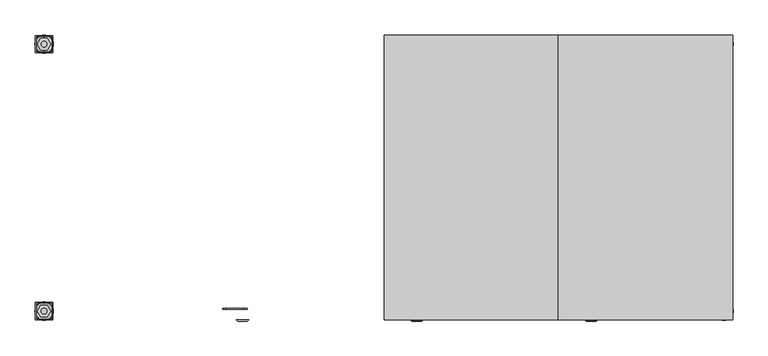
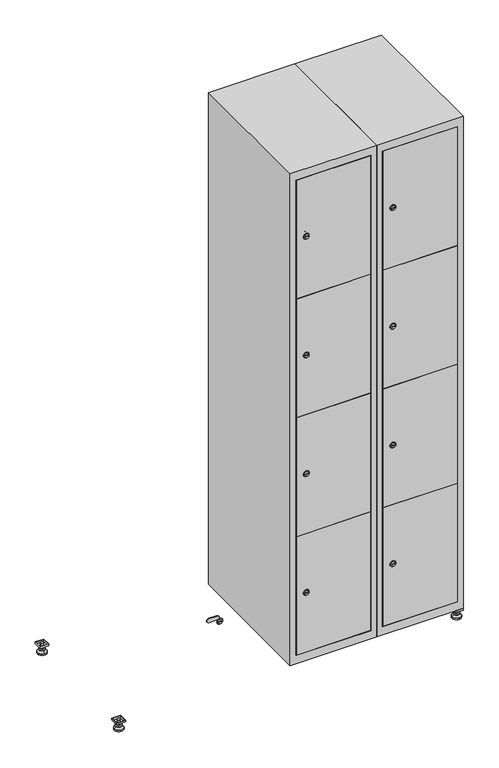
"""IFC4 building model written with IfcOpenShell, lengths in millimetres: furniture geometry."""

from ifc_helpers import new_model, si_unit, point, frame, frame_2d, origin, origin_with_axes, place, context, project, spatial, polyline, circle_curve, trimmed, segment, composite_curve, outline, extrude, faceted_brep, source, transform, mapped, element, save
from ifc_brep_helpers import plane_surface, revolved_surface, advanced_brep


def furniture_7fc36df8(model_context):
    return source(origin(), model_context, "Body", "SolidModel", [
        extrude(outline(polyline([(1000.0, 245.0), (1000.0, 215.0), (970.0, 215.0), (970.0, 245.0), (1000.0, 245.0)]), holes=[polyline([(998.0, 243.0), (972.0, 243.0), (972.0, 217.0), (998.0, 217.0), (998.0, 243.0)])]), frame((0.0, 0.0, 28.5), z_axis=(0.0, 0.0, 1.0), x_axis=(1.0, 0.0, 0.0)), (0.0, 0.0, 1.0), 6.5),
        extrude(outline(polyline([(970.0, -245.0), (970.0, -215.0), (1000.0, -215.0), (1000.0, -245.0), (970.0, -245.0)]), holes=[polyline([(972.0, -243.0), (998.0, -243.0), (998.0, -217.0), (972.0, -217.0), (972.0, -243.0)])]), frame((0.0, 0.0, 28.5), z_axis=(0.0, 0.0, 1.0), x_axis=(1.0, 0.0, 0.0)), (0.0, 0.0, 1.0), 6.5),
        extrude(outline(polyline([(-170.0, 245.0), (-170.0, 215.0), (-200.0, 215.0), (-200.0, 245.0), (-170.0, 245.0)]), holes=[polyline([(-172.0, 243.0), (-198.0, 243.0), (-198.0, 217.0), (-172.0, 217.0), (-172.0, 243.0)])]), frame((0.0, 0.0, 28.5), z_axis=(0.0, 0.0, 1.0), x_axis=(1.0, 0.0, 0.0)), (0.0, 0.0, 1.0), 6.5),
        extrude(outline(polyline([(-170.0, -215.0), (-170.0, -245.0), (-200.0, -245.0), (-200.0, -215.0), (-170.0, -215.0)]), holes=[polyline([(-198.0, -243.0), (-172.0, -243.0), (-172.0, -217.0), (-198.0, -217.0), (-198.0, -243.0)])]), frame((0.0, 0.0, 28.5), z_axis=(0.0, 0.0, 1.0), x_axis=(1.0, 0.0, 0.0)), (0.0, 0.0, 1.0), 6.5),
        extrude(outline(composite_curve([segment(trimmed(circle_curve(frame_2d((-185.0, 230.0)), 5.0), [point((-180.0, 230.0))], [point((-190.0, 230.0))], False, "CARTESIAN"), True, "CONTINUOUS"), segment(trimmed(circle_curve(frame_2d((-185.0, 230.0)), 5.0), [point((-190.0, 230.0))], [point((-180.0, 230.0))], False, "CARTESIAN"), True, "CONTINUOUS")], self_intersect=False)), frame((0.0, 0.0, 19.6), z_axis=(0.0, 0.0, 1.0), x_axis=(1.0, 0.0, 0.0)), (0.0, 0.0, 1.0), 15.4),
        extrude(outline(composite_curve([segment(trimmed(circle_curve(frame_2d((-185.0, -230.0)), 5.0), [point((-180.0, -230.0))], [point((-190.0, -230.0))], False, "CARTESIAN"), True, "CONTINUOUS"), segment(trimmed(circle_curve(frame_2d((-185.0, -230.0)), 5.0), [point((-190.0, -230.0))], [point((-180.0, -230.0))], False, "CARTESIAN"), True, "CONTINUOUS")], self_intersect=False)), frame((0.0, 0.0, 19.6), z_axis=(0.0, 0.0, 1.0), x_axis=(1.0, 0.0, 0.0)), (0.0, 0.0, 1.0), 15.4),
        extrude(outline(composite_curve([segment(trimmed(circle_curve(frame_2d((985.0, 230.0)), 5.0), [point((990.0, 230.0))], [point((980.0, 230.0))], False, "CARTESIAN"), True, "CONTINUOUS"), segment(trimmed(circle_curve(frame_2d((985.0, 230.0)), 5.0), [point((980.0, 230.0))], [point((990.0, 230.0))], False, "CARTESIAN"), True, "CONTINUOUS")], self_intersect=False)), frame((0.0, 0.0, 19.6), z_axis=(0.0, 0.0, 1.0), x_axis=(1.0, 0.0, 0.0)), (0.0, 0.0, 1.0), 15.4),
        extrude(outline(polyline([(973.4529946, 230.0), (979.2264973, 240.0), (990.7735027, 240.0), (996.5470054, 230.0), (990.7735027, 220.0), (979.2264973, 220.0), (973.4529946, 230.0)])), frame((0.0, 0.0, 13.6), z_axis=(0.0, 0.0, 1.0), x_axis=(1.0, 0.0, 0.0)), (0.0, 0.0, 1.0), 6.0),
        extrude(outline(composite_curve([segment(trimmed(circle_curve(frame_2d((985.0, -230.0)), 5.0), [point((990.0, -230.0))], [point((980.0, -230.0))], False, "CARTESIAN"), True, "CONTINUOUS"), segment(trimmed(circle_curve(frame_2d((985.0, -230.0)), 5.0), [point((980.0, -230.0))], [point((990.0, -230.0))], False, "CARTESIAN"), True, "CONTINUOUS")], self_intersect=False)), frame((0.0, 0.0, 19.6), z_axis=(0.0, 0.0, 1.0), x_axis=(1.0, 0.0, 0.0)), (0.0, 0.0, 1.0), 15.4),
        extrude(outline(polyline([(973.4529946, -230.0), (979.2264973, -220.0), (990.7735027, -220.0), (996.5470054, -230.0), (990.7735027, -240.0), (979.2264973, -240.0), (973.4529946, -230.0)])), frame((0.0, 0.0, 13.6), z_axis=(0.0, 0.0, 1.0), x_axis=(1.0, 0.0, 0.0)), (0.0, 0.0, 1.0), 6.0),
        extrude(outline(composite_curve([segment(trimmed(circle_curve(frame_2d((985.0, 230.0)), 5.0), [point((990.0, 230.0))], [point((980.0, 230.0))], False, "CARTESIAN"), True, "CONTINUOUS"), segment(trimmed(circle_curve(frame_2d((985.0, 230.0)), 5.0), [point((980.0, 230.0))], [point((990.0, 230.0))], False, "CARTESIAN"), True, "CONTINUOUS")], self_intersect=False)), frame((0.0, 0.0, 12.1), z_axis=(0.0, 0.0, 1.0), x_axis=(1.0, 0.0, 0.0)), (0.0, 0.0, 1.0), 1.5),
        extrude(outline(composite_curve([segment(trimmed(circle_curve(frame_2d((985.0, -230.0)), 5.0), [point((990.0, -230.0))], [point((980.0, -230.0))], False, "CARTESIAN"), True, "CONTINUOUS"), segment(trimmed(circle_curve(frame_2d((985.0, -230.0)), 5.0), [point((980.0, -230.0))], [point((990.0, -230.0))], False, "CARTESIAN"), True, "CONTINUOUS")], self_intersect=False)), frame((0.0, 0.0, 12.1), z_axis=(0.0, 0.0, 1.0), x_axis=(1.0, 0.0, 0.0)), (0.0, 0.0, 1.0), 1.5),
        extrude(outline(polyline([(-196.5470054, 230.0), (-190.7735027, 240.0), (-179.2264973, 240.0), (-173.4529946, 230.0), (-179.2264973, 220.0), (-190.7735027, 220.0), (-196.5470054, 230.0)])), frame((0.0, 0.0, 13.6), z_axis=(0.0, 0.0, 1.0), x_axis=(1.0, 0.0, 0.0)), (0.0, 0.0, 1.0), 6.0),
        extrude(outline(polyline([(-196.5470054, -230.0), (-190.7735027, -220.0), (-179.2264973, -220.0), (-173.4529946, -230.0), (-179.2264973, -240.0), (-190.7735027, -240.0), (-196.5470054, -230.0)])), frame((0.0, 0.0, 13.6), z_axis=(0.0, 0.0, 1.0), x_axis=(1.0, 0.0, 0.0)), (0.0, 0.0, 1.0), 6.0),
        extrude(outline(composite_curve([segment(trimmed(circle_curve(frame_2d((-185.0, 230.0)), 5.0), [point((-185.0, 235.0))], [point((-185.0, 225.0))], False, "CARTESIAN"), True, "CONTINUOUS"), segment(trimmed(circle_curve(frame_2d((-185.0, 230.0)), 5.0), [point((-185.0, 225.0))], [point((-185.0, 235.0))], False, "CARTESIAN"), True, "CONTINUOUS")], self_intersect=False)), frame((0.0, 0.0, 12.1), z_axis=(0.0, 0.0, 1.0), x_axis=(1.0, 0.0, 0.0)), (0.0, 0.0, 1.0), 1.5),
        extrude(outline(composite_curve([segment(trimmed(circle_curve(frame_2d((-185.0, -230.0)), 5.0), [point((-180.0, -230.0))], [point((-190.0, -230.0))], False, "CARTESIAN"), True, "CONTINUOUS"), segment(trimmed(circle_curve(frame_2d((-185.0, -230.0)), 5.0), [point((-190.0, -230.0))], [point((-180.0, -230.0))], False, "CARTESIAN"), True, "CONTINUOUS")], self_intersect=False)), frame((0.0, 0.0, 12.1), z_axis=(0.0, 0.0, 1.0), x_axis=(1.0, 0.0, 0.0)), (0.0, 0.0, 1.0), 1.5),
        extrude(outline(composite_curve([segment(trimmed(circle_curve(frame_2d((985.0, 230.0)), 15.75), [point((1000.75, 230.0))], [point((969.25, 230.0))], False, "CARTESIAN"), True, "CONTINUOUS"), segment(trimmed(circle_curve(frame_2d((985.0, 230.0)), 15.75), [point((969.25, 230.0))], [point((1000.75, 230.0))], False, "CARTESIAN"), True, "CONTINUOUS")], self_intersect=False)), origin_with_axes(), (0.0, 0.0, 1.0), 5.1),
        extrude(outline(composite_curve([segment(trimmed(circle_curve(frame_2d((985.0, -230.0)), 15.75), [point((985.0, -214.25))], [point((985.0, -245.75))], False, "CARTESIAN"), True, "CONTINUOUS"), segment(trimmed(circle_curve(frame_2d((985.0, -230.0)), 15.75), [point((985.0, -245.75))], [point((985.0, -214.25))], False, "CARTESIAN"), True, "CONTINUOUS")], self_intersect=False)), origin_with_axes(), (0.0, 0.0, 1.0), 5.1),
        extrude(outline(composite_curve([segment(trimmed(circle_curve(frame_2d((-185.0, -230.0)), 15.75), [point((-169.25, -230.0))], [point((-200.75, -230.0))], False, "CARTESIAN"), True, "CONTINUOUS"), segment(trimmed(circle_curve(frame_2d((-185.0, -230.0)), 15.75), [point((-200.75, -230.0))], [point((-169.25, -230.0))], False, "CARTESIAN"), True, "CONTINUOUS")], self_intersect=False)), origin_with_axes(), (0.0, 0.0, 1.0), 5.1),
        extrude(outline(composite_curve([segment(trimmed(circle_curve(frame_2d((-185.0, 230.0)), 15.75), [point((-169.25, 230.0))], [point((-200.75, 230.0))], False, "CARTESIAN"), True, "CONTINUOUS"), segment(trimmed(circle_curve(frame_2d((-185.0, 230.0)), 15.75), [point((-200.75, 230.0))], [point((-169.25, 230.0))], False, "CARTESIAN"), True, "CONTINUOUS")], self_intersect=False)), origin_with_axes(), (0.0, 0.0, 1.0), 5.1),
        advanced_brep(
        [(-185.0, 245.75, 5.1), (-185.0, 214.25, 5.1), (-185.0, 239.5, 12.1), (-185.0, 220.5, 12.1)],
        [
            (0, 1, circle_curve(frame((-185.0, 230.0, 5.1), z_axis=(0.0, 0.0, -1.0), x_axis=(0.0, 1.0, 0.0)), 15.75)),
            (1, 0, circle_curve(frame((-185.0, 230.0, 5.1), z_axis=(0.0, 0.0, -1.0), x_axis=(0.0, -1.0, 0.0)), 15.75)),
            (2, 3, circle_curve(frame((-185.0, 230.0, 12.1), z_axis=(0.0, 0.0, 1.0), x_axis=(0.0, -1.0, 0.0)), 9.5)),
            (3, 2, circle_curve(frame((-185.0, 230.0, 12.1), z_axis=(0.0, 0.0, 1.0), x_axis=(0.0, 1.0, 0.0)), 9.5)),
            (3, 1),
            (0, 2),
        ],
        [
            plane_surface(frame((-185.0, 230.0, 5.1), z_axis=(0.0, 0.0, -1.0), x_axis=(1.0, 0.0, 0.0))),
            plane_surface(frame((-185.0, 230.0, 12.1), z_axis=(0.0, 0.0, 1.0), x_axis=(1.0, 0.0, 0.0))),
            revolved_surface(polyline([(-185.0, 220.5, 12.099999999999998), (-185.0, 214.25, 5.099999999999998)]), (-185.0, 230.0, 22.74), (0.0, 0.0, -1.0)),
            revolved_surface(polyline([(-185.0, 239.5, 12.099999999999998), (-185.0, 245.75, 5.099999999999998)]), (-185.0, 230.0, 22.74), (0.0, 0.0, -1.0)),
        ],
        [
            (0, [[1, 2]]),
            (1, [[3, 4]]),
            (2, [[-4, 5, -1, 6]]),
            (3, [[-3, -6, -2, -5]]),
        ],
    ),
        advanced_brep(
        [(985.0, 245.75, 5.1), (985.0, 214.25, 5.1), (985.0, 239.5, 12.1), (985.0, 220.5, 12.1)],
        [
            (0, 1, circle_curve(frame((985.0, 230.0, 5.1), z_axis=(0.0, 0.0, -1.0), x_axis=(0.0, 1.0, 0.0)), 15.75)),
            (1, 0, circle_curve(frame((985.0, 230.0, 5.1), z_axis=(0.0, 0.0, -1.0), x_axis=(0.0, -1.0, 0.0)), 15.75)),
            (2, 3, circle_curve(frame((985.0, 230.0, 12.1), z_axis=(0.0, 0.0, 1.0), x_axis=(0.0, -1.0, 0.0)), 9.5)),
            (3, 2, circle_curve(frame((985.0, 230.0, 12.1), z_axis=(0.0, 0.0, 1.0), x_axis=(0.0, 1.0, 0.0)), 9.5)),
            (3, 1),
            (0, 2),
        ],
        [
            plane_surface(frame((985.0, 230.0, 5.1), z_axis=(0.0, 0.0, -1.0), x_axis=(1.0, 0.0, 0.0))),
            plane_surface(frame((985.0, 230.0, 12.1), z_axis=(0.0, 0.0, 1.0), x_axis=(1.0, 0.0, 0.0))),
            revolved_surface(polyline([(985.0, 220.5, 12.099999999999998), (985.0, 214.25, 5.099999999999998)]), (985.0, 230.0, 22.74), (0.0, 0.0, -1.0)),
            revolved_surface(polyline([(985.0, 239.5, 12.099999999999998), (985.0, 245.75, 5.099999999999998)]), (985.0, 230.0, 22.74), (0.0, 0.0, -1.0)),
        ],
        [
            (0, [[1, 2]]),
            (1, [[3, 4]]),
            (2, [[-4, 5, -1, 6]]),
            (3, [[-3, -6, -2, -5]]),
        ],
    ),
        advanced_brep(
        [(994.5, -230.0, 12.1), (975.5, -230.0, 12.1), (1000.75, -230.0, 5.1), (969.25, -230.0, 5.1)],
        [
            (0, 1, circle_curve(frame((985.0, -230.0, 12.1), z_axis=(0.0, 0.0, 1.0), x_axis=(1.0, 0.0, 0.0)), 9.5)),
            (1, 0, circle_curve(frame((985.0, -230.0, 12.1), z_axis=(0.0, 0.0, 1.0), x_axis=(-1.0, 0.0, 0.0)), 9.5)),
            (2, 3, circle_curve(frame((985.0, -230.0, 5.1), z_axis=(0.0, 0.0, -1.0), x_axis=(-1.0, 0.0, 0.0)), 15.75)),
            (3, 2, circle_curve(frame((985.0, -230.0, 5.1), z_axis=(0.0, 0.0, -1.0), x_axis=(1.0, 0.0, 0.0)), 15.75)),
            (3, 1),
            (0, 2),
        ],
        [
            plane_surface(frame((985.0, -230.0, 12.1), z_axis=(0.0, 0.0, 1.0), x_axis=(0.0, 1.0, 0.0))),
            plane_surface(frame((985.0, -230.0, 5.1), z_axis=(0.0, 0.0, -1.0), x_axis=(0.0, 1.0, 0.0))),
            revolved_surface(polyline([(994.5, -230.0, 12.099999999999998), (1000.75, -230.0, 5.099999999999998)]), (985.0, -230.0, 22.74), (0.0, 0.0, -1.0)),
            revolved_surface(polyline([(975.5, -230.0, 12.099999999999998), (969.25, -230.0, 5.099999999999998)]), (985.0, -230.0, 22.74), (0.0, 0.0, -1.0)),
        ],
        [
            (0, [[1, 2]]),
            (1, [[3, 4]]),
            (2, [[-4, 5, -1, 6]]),
            (3, [[-3, -6, -2, -5]]),
        ],
    ),
        advanced_brep(
        [(-175.5, -230.0, 12.1), (-194.5, -230.0, 12.1), (-169.25, -230.0, 5.1), (-200.75, -230.0, 5.1)],
        [
            (0, 1, circle_curve(frame((-185.0, -230.0, 12.1), z_axis=(0.0, 0.0, 1.0), x_axis=(1.0, 0.0, 0.0)), 9.5)),
            (1, 0, circle_curve(frame((-185.0, -230.0, 12.1), z_axis=(0.0, 0.0, 1.0), x_axis=(-1.0, 0.0, 0.0)), 9.5)),
            (2, 3, circle_curve(frame((-185.0, -230.0, 5.1), z_axis=(0.0, 0.0, -1.0), x_axis=(-1.0, 0.0, 0.0)), 15.75)),
            (3, 2, circle_curve(frame((-185.0, -230.0, 5.1), z_axis=(0.0, 0.0, -1.0), x_axis=(1.0, 0.0, 0.0)), 15.75)),
            (3, 1),
            (0, 2),
        ],
        [
            plane_surface(frame((-185.0, -230.0, 12.1), z_axis=(0.0, 0.0, 1.0), x_axis=(0.0, 1.0, 0.0))),
            plane_surface(frame((-185.0, -230.0, 5.1), z_axis=(0.0, 0.0, -1.0), x_axis=(0.0, 1.0, 0.0))),
            revolved_surface(polyline([(-175.5, -230.0, 12.099999999999998), (-169.25, -230.0, 5.099999999999998)]), (-185.0, -230.0, 22.74), (0.0, 0.0, -1.0)),
            revolved_surface(polyline([(-194.5, -230.0, 12.099999999999998), (-200.75, -230.0, 5.099999999999998)]), (-185.0, -230.0, 22.74), (0.0, 0.0, -1.0)),
        ],
        [
            (0, [[1, 2]]),
            (1, [[3, 4]]),
            (2, [[-4, 5, -1, 6]]),
            (3, [[-3, -6, -2, -5]]),
        ],
    ),
        extrude(outline(composite_curve([segment(trimmed(circle_curve(frame_2d((283.4, 729.6010534)), 7.0), [point((290.4, 729.6010534))], [point((276.4, 729.6010534))], False, "CARTESIAN"), True, "CONTINUOUS"), segment(polyline([(276.4, 729.6010534), (276.4, 757.6010534)]), True, "CONTINUOUS"), segment(trimmed(circle_curve(frame_2d((283.4, 757.6010534)), 7.0), [point((276.4, 757.6010534))], [point((290.4, 757.6010534))], False, "CARTESIAN"), True, "CONTINUOUS"), segment(polyline([(290.4, 757.6010534), (290.4, 729.6010534)]), True, "CONTINUOUS")], self_intersect=False)), frame((0.0, -227.0, 0.0), z_axis=(0.0, 1.0, 0.0), x_axis=(0.0, 0.0, 1.0)), (0.0, 0.0, 1.0), 2.0),
        advanced_brep(
        [(764.9, -247.2, 283.4), (747.9, -247.2, 283.4), (751.4, -247.2, 282.15), (751.4, -247.2, 284.65), (761.4, -247.2, 284.65), (761.4, -247.2, 282.15), (766.9, -245.0, 283.4), (745.9, -245.0, 283.4), (751.4, -245.0, 284.65), (751.4, -245.0, 282.15), (761.4, -245.0, 282.15), (761.4, -245.0, 284.65)],
        [
            (0, 1, circle_curve(frame((756.4, -247.2, 283.4), z_axis=(0.0, -1.0, 0.0), x_axis=(1.0, 0.0, 0.0)), 8.5)),
            (1, 0, circle_curve(frame((756.4, -247.2, 283.4), z_axis=(0.0, -1.0, 0.0), x_axis=(-1.0, 0.0, 0.0)), 8.5)),
            (2, 3),
            (3, 4),
            (4, 5),
            (5, 2),
            (6, 7, circle_curve(frame((756.4, -245.0, 283.4), z_axis=(0.0, 1.0, 0.0), x_axis=(-1.0, 0.0, 0.0)), 10.5)),
            (7, 6, circle_curve(frame((756.4, -245.0, 283.4), z_axis=(0.0, 1.0, 0.0), x_axis=(1.0, 0.0, 0.0)), 10.5)),
            (8, 9),
            (9, 10),
            (10, 11),
            (11, 8),
            (0, 6),
            (7, 1),
            (8, 3),
            (2, 9),
            (11, 4),
            (10, 5),
        ],
        [
            plane_surface(frame((756.4, -247.2, 283.4), z_axis=(0.0, -1.0, 0.0), x_axis=(0.0, 0.0, 1.0))),
            plane_surface(frame((756.4, -245.0, 283.4), z_axis=(0.0, 1.0, 0.0), x_axis=(0.0, 0.0, 1.0))),
            revolved_surface(polyline([(764.9, -247.2, 283.4), (766.9, -245.0, 283.4)]), (756.4, -256.55, 283.4), (0.0, 1.0, 0.0)),
            revolved_surface(polyline([(747.9, -247.2, 283.4), (745.9, -245.0, 283.4)]), (756.4, -256.55, 283.4), (0.0, 1.0, 0.0)),
            plane_surface(frame((751.4, -245.0, 282.15), z_axis=(1.0, 0.0, 0.0), x_axis=(0.0, -1.0, 0.0))),
            plane_surface(frame((751.4, -245.0, 284.65), z_axis=(0.0, 0.0, -1.0), x_axis=(0.0, -1.0, 0.0))),
            plane_surface(frame((761.4, -245.0, 284.65), z_axis=(-1.0, 0.0, 0.0), x_axis=(0.0, -1.0, 0.0))),
            plane_surface(frame((761.4, -245.0, 282.15), z_axis=(0.0, 0.0, 1.0), x_axis=(0.0, -1.0, 0.0))),
        ],
        [
            (0, [[1, 2], [3, 4, 5, 6]]),
            (1, [[7, 8], [9, 10, 11, 12]]),
            (2, [[-1, 13, -8, 14]]),
            (3, [[-2, -14, -7, -13]]),
            (4, [[15, -3, 16, -9]]),
            (5, [[-15, -12, 17, -4]]),
            (6, [[-17, -11, 18, -5]]),
            (7, [[-16, -6, -18, -10]]),
        ],
    ),
        extrude(outline(composite_curve([segment(trimmed(circle_curve(frame_2d((717.8, 729.6010534)), 7.0), [point((724.8, 729.6010534))], [point((710.8, 729.6010534))], False, "CARTESIAN"), True, "CONTINUOUS"), segment(polyline([(710.8, 729.6010534), (710.8, 757.6010534)]), True, "CONTINUOUS"), segment(trimmed(circle_curve(frame_2d((717.8, 757.6010534)), 7.0), [point((710.8, 757.6010534))], [point((724.8, 757.6010534))], False, "CARTESIAN"), True, "CONTINUOUS"), segment(polyline([(724.8, 757.6010534), (724.8, 729.6010534)]), True, "CONTINUOUS")], self_intersect=False)), frame((0.0, -227.0, 0.0), z_axis=(0.0, 1.0, 0.0), x_axis=(0.0, 0.0, 1.0)), (0.0, 0.0, 1.0), 2.0),
        advanced_brep(
        [(764.9, -247.2, 717.8), (747.9, -247.2, 717.8), (751.4, -247.2, 716.55), (751.4, -247.2, 719.05), (761.4, -247.2, 719.05), (761.4, -247.2, 716.55), (766.9, -245.0, 717.8), (745.9, -245.0, 717.8), (751.4, -245.0, 719.05), (751.4, -245.0, 716.55), (761.4, -245.0, 716.55), (761.4, -245.0, 719.05)],
        [
            (0, 1, circle_curve(frame((756.4, -247.2, 717.8), z_axis=(0.0, -1.0, 0.0), x_axis=(1.0, 0.0, 0.0)), 8.5)),
            (1, 0, circle_curve(frame((756.4, -247.2, 717.8), z_axis=(0.0, -1.0, 0.0), x_axis=(-1.0, 0.0, 0.0)), 8.5)),
            (2, 3),
            (3, 4),
            (4, 5),
            (5, 2),
            (6, 7, circle_curve(frame((756.4, -245.0, 717.8), z_axis=(0.0, 1.0, 0.0), x_axis=(-1.0, 0.0, 0.0)), 10.5)),
            (7, 6, circle_curve(frame((756.4, -245.0, 717.8), z_axis=(0.0, 1.0, 0.0), x_axis=(1.0, 0.0, 0.0)), 10.5)),
            (8, 9),
            (9, 10),
            (10, 11),
            (11, 8),
            (0, 6),
            (7, 1),
            (8, 3),
            (2, 9),
            (11, 4),
            (10, 5),
        ],
        [
            plane_surface(frame((756.4, -247.2, 717.8), z_axis=(0.0, -1.0, 0.0), x_axis=(0.0, 0.0, 1.0))),
            plane_surface(frame((756.4, -245.0, 717.8), z_axis=(0.0, 1.0, 0.0), x_axis=(0.0, 0.0, 1.0))),
            revolved_surface(polyline([(764.9, -247.2, 717.8), (766.9, -245.0, 717.8)]), (756.4, -256.55, 717.8), (0.0, 1.0, 0.0)),
            revolved_surface(polyline([(747.9, -247.2, 717.8), (745.9, -245.0, 717.8)]), (756.4, -256.55, 717.8), (0.0, 1.0, 0.0)),
            plane_surface(frame((751.4, -245.0, 716.55), z_axis=(1.0, 0.0, 0.0), x_axis=(0.0, -1.0, 0.0))),
            plane_surface(frame((751.4, -245.0, 719.05), z_axis=(0.0, 0.0, -1.0), x_axis=(0.0, -1.0, 0.0))),
            plane_surface(frame((761.4, -245.0, 719.05), z_axis=(-1.0, 0.0, 0.0), x_axis=(0.0, -1.0, 0.0))),
            plane_surface(frame((761.4, -245.0, 716.55), z_axis=(0.0, 0.0, 1.0), x_axis=(0.0, -1.0, 0.0))),
        ],
        [
            (0, [[1, 2], [3, 4, 5, 6]]),
            (1, [[7, 8], [9, 10, 11, 12]]),
            (2, [[-1, 13, -8, 14]]),
            (3, [[-2, -14, -7, -13]]),
            (4, [[15, -3, 16, -9]]),
            (5, [[-15, -12, 17, -4]]),
            (6, [[-17, -11, 18, -5]]),
            (7, [[-16, -6, -18, -10]]),
        ],
    ),
        extrude(outline(composite_curve([segment(trimmed(circle_curve(frame_2d((1152.2, 729.6010534)), 7.0), [point((1159.2, 729.6010534))], [point((1145.2, 729.6010534))], False, "CARTESIAN"), True, "CONTINUOUS"), segment(polyline([(1145.2, 729.6010534), (1145.2, 757.6010534)]), True, "CONTINUOUS"), segment(trimmed(circle_curve(frame_2d((1152.2, 757.6010534)), 7.0), [point((1145.2, 757.6010534))], [point((1159.2, 757.6010534))], False, "CARTESIAN"), True, "CONTINUOUS"), segment(polyline([(1159.2, 757.6010534), (1159.2, 729.6010534)]), True, "CONTINUOUS")], self_intersect=False)), frame((0.0, -227.0, 0.0), z_axis=(0.0, 1.0, 0.0), x_axis=(0.0, 0.0, 1.0)), (0.0, 0.0, 1.0), 2.0),
        advanced_brep(
        [(764.9, -247.2, 1152.2), (747.9, -247.2, 1152.2), (751.4, -247.2, 1150.95), (751.4, -247.2, 1153.45), (761.4, -247.2, 1153.45), (761.4, -247.2, 1150.95), (766.9, -245.0, 1152.2), (745.9, -245.0, 1152.2), (751.4, -245.0, 1153.45), (751.4, -245.0, 1150.95), (761.4, -245.0, 1150.95), (761.4, -245.0, 1153.45)],
        [
            (0, 1, circle_curve(frame((756.4, -247.2, 1152.2), z_axis=(0.0, -1.0, 0.0), x_axis=(1.0, 0.0, 0.0)), 8.5)),
            (1, 0, circle_curve(frame((756.4, -247.2, 1152.2), z_axis=(0.0, -1.0, 0.0), x_axis=(-1.0, 0.0, 0.0)), 8.5)),
            (2, 3),
            (3, 4),
            (4, 5),
            (5, 2),
            (6, 7, circle_curve(frame((756.4, -245.0, 1152.2), z_axis=(0.0, 1.0, 0.0), x_axis=(-1.0, 0.0, 0.0)), 10.5)),
            (7, 6, circle_curve(frame((756.4, -245.0, 1152.2), z_axis=(0.0, 1.0, 0.0), x_axis=(1.0, 0.0, 0.0)), 10.5)),
            (8, 9),
            (9, 10),
            (10, 11),
            (11, 8),
            (0, 6),
            (7, 1),
            (8, 3),
            (2, 9),
            (11, 4),
            (10, 5),
        ],
        [
            plane_surface(frame((756.4, -247.2, 1152.2), z_axis=(0.0, -1.0, 0.0), x_axis=(0.0, 0.0, 1.0))),
            plane_surface(frame((756.4, -245.0, 1152.2), z_axis=(0.0, 1.0, 0.0), x_axis=(0.0, 0.0, 1.0))),
            revolved_surface(polyline([(764.9, -247.2, 1152.2), (766.9, -245.0, 1152.2)]), (756.4, -256.55, 1152.2), (0.0, 1.0, 0.0)),
            revolved_surface(polyline([(747.9, -247.2, 1152.2), (745.9, -245.0, 1152.2)]), (756.4, -256.55, 1152.2), (0.0, 1.0, 0.0)),
            plane_surface(frame((751.4, -245.0, 1150.95), z_axis=(1.0, 0.0, 0.0), x_axis=(0.0, -1.0, 0.0))),
            plane_surface(frame((751.4, -245.0, 1153.45), z_axis=(0.0, 0.0, -1.0), x_axis=(0.0, -1.0, 0.0))),
            plane_surface(frame((761.4, -245.0, 1153.45), z_axis=(-1.0, 0.0, 0.0), x_axis=(0.0, -1.0, 0.0))),
            plane_surface(frame((761.4, -245.0, 1150.95), z_axis=(0.0, 0.0, 1.0), x_axis=(0.0, -1.0, 0.0))),
        ],
        [
            (0, [[1, 2], [3, 4, 5, 6]]),
            (1, [[7, 8], [9, 10, 11, 12]]),
            (2, [[-1, 13, -8, 14]]),
            (3, [[-2, -14, -7, -13]]),
            (4, [[15, -3, 16, -9]]),
            (5, [[-15, -12, 17, -4]]),
            (6, [[-17, -11, 18, -5]]),
            (7, [[-16, -6, -18, -10]]),
        ],
    ),
        extrude(outline(composite_curve([segment(trimmed(circle_curve(frame_2d((1586.6, 729.6010534)), 7.0), [point((1593.6, 729.6010534))], [point((1579.6, 729.6010534))], False, "CARTESIAN"), True, "CONTINUOUS"), segment(polyline([(1579.6, 729.6010534), (1579.6, 757.6010534)]), True, "CONTINUOUS"), segment(trimmed(circle_curve(frame_2d((1586.6, 757.6010534)), 7.0), [point((1579.6, 757.6010534))], [point((1593.6, 757.6010534))], False, "CARTESIAN"), True, "CONTINUOUS"), segment(polyline([(1593.6, 757.6010534), (1593.6, 729.6010534)]), True, "CONTINUOUS")], self_intersect=False)), frame((0.0, -227.0, 0.0), z_axis=(0.0, 1.0, 0.0), x_axis=(0.0, 0.0, 1.0)), (0.0, 0.0, 1.0), 2.0),
        advanced_brep(
        [(764.9, -247.2, 1586.6), (747.9, -247.2, 1586.6), (751.4, -247.2, 1585.35), (751.4, -247.2, 1587.85), (761.4, -247.2, 1587.85), (761.4, -247.2, 1585.35), (766.9, -245.0, 1586.6), (745.9, -245.0, 1586.6), (751.4, -245.0, 1587.85), (751.4, -245.0, 1585.35), (761.4, -245.0, 1585.35), (761.4, -245.0, 1587.85)],
        [
            (0, 1, circle_curve(frame((756.4, -247.2, 1586.6), z_axis=(0.0, -1.0, 0.0), x_axis=(1.0, 0.0, 0.0)), 8.5)),
            (1, 0, circle_curve(frame((756.4, -247.2, 1586.6), z_axis=(0.0, -1.0, 0.0), x_axis=(-1.0, 0.0, 0.0)), 8.5)),
            (2, 3),
            (3, 4),
            (4, 5),
            (5, 2),
            (6, 7, circle_curve(frame((756.4, -245.0, 1586.6), z_axis=(0.0, 1.0, 0.0), x_axis=(-1.0, 0.0, 0.0)), 10.5)),
            (7, 6, circle_curve(frame((756.4, -245.0, 1586.6), z_axis=(0.0, 1.0, 0.0), x_axis=(1.0, 0.0, 0.0)), 10.5)),
            (8, 9),
            (9, 10),
            (10, 11),
            (11, 8),
            (0, 6),
            (7, 1),
            (8, 3),
            (2, 9),
            (11, 4),
            (10, 5),
        ],
        [
            plane_surface(frame((756.4, -247.2, 1586.6), z_axis=(0.0, -1.0, 0.0), x_axis=(0.0, 0.0, 1.0))),
            plane_surface(frame((756.4, -245.0, 1586.6), z_axis=(0.0, 1.0, 0.0), x_axis=(0.0, 0.0, 1.0))),
            revolved_surface(polyline([(764.9, -247.2, 1586.6), (766.9, -245.0, 1586.6)]), (756.4, -256.55, 1586.6), (0.0, 1.0, 0.0)),
            revolved_surface(polyline([(747.9, -247.2, 1586.6), (745.9, -245.0, 1586.6)]), (756.4, -256.55, 1586.6), (0.0, 1.0, 0.0)),
            plane_surface(frame((751.4, -245.0, 1585.35), z_axis=(1.0, 0.0, 0.0), x_axis=(0.0, -1.0, 0.0))),
            plane_surface(frame((751.4, -245.0, 1587.85), z_axis=(0.0, 0.0, -1.0), x_axis=(0.0, -1.0, 0.0))),
            plane_surface(frame((761.4, -245.0, 1587.85), z_axis=(-1.0, 0.0, 0.0), x_axis=(0.0, -1.0, 0.0))),
            plane_surface(frame((761.4, -245.0, 1585.35), z_axis=(0.0, 0.0, 1.0), x_axis=(0.0, -1.0, 0.0))),
        ],
        [
            (0, [[1, 2], [3, 4, 5, 6]]),
            (1, [[7, 8], [9, 10, 11, 12]]),
            (2, [[-1, 13, -8, 14]]),
            (3, [[-2, -14, -7, -13]]),
            (4, [[15, -3, 16, -9]]),
            (5, [[-15, -12, 17, -4]]),
            (6, [[-17, -11, 18, -5]]),
            (7, [[-16, -6, -18, -10]]),
        ],
    ),
        extrude(outline(polyline([(978.6, -227.0), (978.6, -245.0), (721.4, -245.0), (721.4, -227.0), (978.6, -227.0)])), frame((0.0, 0.0, 500.1), z_axis=(0.0, 0.0, 1.0), x_axis=(1.0, 0.0, 0.0)), (0.0, 0.0, 1.0), 434.4),
        extrude(outline(polyline([(978.6, -227.0), (978.6, -245.0), (721.4, -245.0), (721.4, -227.0), (978.6, -227.0)])), frame((0.0, 0.0, 935.5), z_axis=(0.0, 0.0, 1.0), x_axis=(1.0, 0.0, 0.0)), (0.0, 0.0, 1.0), 433.4),
        extrude(outline(polyline([(721.4, -245.0), (721.4, -227.0), (978.6, -227.0), (978.6, -245.0), (721.4, -245.0)])), frame((0.0, 0.0, 1369.9), z_axis=(0.0, 0.0, 1.0), x_axis=(1.0, 0.0, 0.0)), (0.0, 0.0, 1.0), 433.9),
        extrude(outline(polyline([(978.6, -227.0), (978.6, -245.0), (721.4, -245.0), (721.4, -227.0), (978.6, -227.0)])), frame((0.0, 0.0, 66.2), z_axis=(0.0, 0.0, 1.0), x_axis=(1.0, 0.0, 0.0)), (0.0, 0.0, 1.0), 434.9),
        extrude(outline(polyline([(979.6, 242.0), (979.6, -227.0), (720.4, -227.0), (720.4, 242.0), (979.6, 242.0)])), frame((0.0, 0.0, 1359.7), z_axis=(0.0, 0.0, 1.0), x_axis=(1.0, 0.0, 0.0)), (0.0, 0.0, 1.0), 20.4),
        extrude(outline(polyline([(979.6, 242.0), (979.6, -227.0), (720.4, -227.0), (720.4, 242.0), (979.6, 242.0)])), frame((0.0, 0.0, 924.8), z_axis=(0.0, 0.0, 1.0), x_axis=(1.0, 0.0, 0.0)), (0.0, 0.0, 1.0), 20.4),
        extrude(outline(polyline([(979.6, 242.0), (979.6, -227.0), (720.4, -227.0), (720.4, 242.0), (979.6, 242.0)])), frame((0.0, 0.0, 489.9), z_axis=(0.0, 0.0, 1.0), x_axis=(1.0, 0.0, 0.0)), (0.0, 0.0, 1.0), 20.4),
        faceted_brep([(1000.0, -245.0, 35.0), (1000.0, -245.0, 1835.0), (700.0, -245.0, 1835.0), (700.0, -245.0, 35.0), (979.6, -245.0, 1804.8), (979.6, -245.0, 65.2), (720.4, -245.0, 65.2), (720.4, -245.0, 1804.8), (1000.0, 245.0, 35.0), (700.0, 245.0, 35.0), (1000.0, 245.0, 1835.0), (700.0, 245.0, 1835.0), (979.6, 242.0, 1804.8), (979.6, 242.0, 65.2), (700.0, 245.0, 1804.8), (720.4, 242.0, 1804.8), (720.4, 242.0, 65.2)], [[[0, 1, 2, 3], [4, 5, 6, 7]], [[8, 0, 3, 9]], [[1, 0, 8, 10]], [[1, 10, 11, 2]], [[4, 12, 13, 5]], [[9, 3, 2, 11, 14]], [[10, 8, 9, 14, 11]], [[12, 15, 16, 13]], [[15, 7, 6, 16]], [[4, 7, 15, 12]], [[6, 5, 13, 16]]]),
        extrude(outline(composite_curve([segment(trimmed(circle_curve(frame_2d((283.4, 429.6010534)), 7.0), [point((290.4, 429.6010534))], [point((276.4, 429.6010534))], False, "CARTESIAN"), True, "CONTINUOUS"), segment(polyline([(276.4, 429.6010534), (276.4, 457.6010534)]), True, "CONTINUOUS"), segment(trimmed(circle_curve(frame_2d((283.4, 457.6010534)), 7.0), [point((276.4, 457.6010534))], [point((290.4, 457.6010534))], False, "CARTESIAN"), True, "CONTINUOUS"), segment(polyline([(290.4, 457.6010534), (290.4, 429.6010534)]), True, "CONTINUOUS")], self_intersect=False)), frame((0.0, -227.0, 0.0), z_axis=(0.0, 1.0, 0.0), x_axis=(0.0, 0.0, 1.0)), (0.0, 0.0, 1.0), 2.0),
        advanced_brep(
        [(464.9, -247.2, 283.4), (447.9, -247.2, 283.4), (451.4, -247.2, 282.15), (451.4, -247.2, 284.65), (461.4, -247.2, 284.65), (461.4, -247.2, 282.15), (466.9, -245.0, 283.4), (445.9, -245.0, 283.4), (451.4, -245.0, 284.65), (451.4, -245.0, 282.15), (461.4, -245.0, 282.15), (461.4, -245.0, 284.65)],
        [
            (0, 1, circle_curve(frame((456.4, -247.2, 283.4), z_axis=(0.0, -1.0, 0.0), x_axis=(1.0, 0.0, 0.0)), 8.5)),
            (1, 0, circle_curve(frame((456.4, -247.2, 283.4), z_axis=(0.0, -1.0, 0.0), x_axis=(-1.0, 0.0, 0.0)), 8.5)),
            (2, 3),
            (3, 4),
            (4, 5),
            (5, 2),
            (6, 7, circle_curve(frame((456.4, -245.0, 283.4), z_axis=(0.0, 1.0, 0.0), x_axis=(-1.0, 0.0, 0.0)), 10.5)),
            (7, 6, circle_curve(frame((456.4, -245.0, 283.4), z_axis=(0.0, 1.0, 0.0), x_axis=(1.0, 0.0, 0.0)), 10.5)),
            (8, 9),
            (9, 10),
            (10, 11),
            (11, 8),
            (0, 6),
            (7, 1),
            (8, 3),
            (2, 9),
            (11, 4),
            (10, 5),
        ],
        [
            plane_surface(frame((456.4, -247.2, 283.4), z_axis=(0.0, -1.0, 0.0), x_axis=(0.0, 0.0, 1.0))),
            plane_surface(frame((456.4, -245.0, 283.4), z_axis=(0.0, 1.0, 0.0), x_axis=(0.0, 0.0, 1.0))),
            revolved_surface(polyline([(464.9, -247.2, 283.4), (466.9, -245.0, 283.4)]), (456.4, -256.55, 283.4), (0.0, 1.0, 0.0)),
            revolved_surface(polyline([(447.9, -247.2, 283.4), (445.9, -245.0, 283.4)]), (456.4, -256.55, 283.4), (0.0, 1.0, 0.0)),
            plane_surface(frame((451.4, -245.0, 282.15), z_axis=(1.0, 0.0, 0.0), x_axis=(0.0, -1.0, 0.0))),
            plane_surface(frame((451.4, -245.0, 284.65), z_axis=(0.0, 0.0, -1.0), x_axis=(0.0, -1.0, 0.0))),
            plane_surface(frame((461.4, -245.0, 284.65), z_axis=(-1.0, 0.0, 0.0), x_axis=(0.0, -1.0, 0.0))),
            plane_surface(frame((461.4, -245.0, 282.15), z_axis=(0.0, 0.0, 1.0), x_axis=(0.0, -1.0, 0.0))),
        ],
        [
            (0, [[1, 2], [3, 4, 5, 6]]),
            (1, [[7, 8], [9, 10, 11, 12]]),
            (2, [[-1, 13, -8, 14]]),
            (3, [[-2, -14, -7, -13]]),
            (4, [[15, -3, 16, -9]]),
            (5, [[-15, -12, 17, -4]]),
            (6, [[-17, -11, 18, -5]]),
            (7, [[-16, -6, -18, -10]]),
        ],
    ),
        extrude(outline(composite_curve([segment(trimmed(circle_curve(frame_2d((717.8, 429.6010534)), 7.0), [point((724.8, 429.6010534))], [point((710.8, 429.6010534))], False, "CARTESIAN"), True, "CONTINUOUS"), segment(polyline([(710.8, 429.6010534), (710.8, 457.6010534)]), True, "CONTINUOUS"), segment(trimmed(circle_curve(frame_2d((717.8, 457.6010534)), 7.0), [point((710.8, 457.6010534))], [point((724.8, 457.6010534))], False, "CARTESIAN"), True, "CONTINUOUS"), segment(polyline([(724.8, 457.6010534), (724.8, 429.6010534)]), True, "CONTINUOUS")], self_intersect=False)), frame((0.0, -227.0, 0.0), z_axis=(0.0, 1.0, 0.0), x_axis=(0.0, 0.0, 1.0)), (0.0, 0.0, 1.0), 2.0),
        advanced_brep(
        [(464.9, -247.2, 717.8), (447.9, -247.2, 717.8), (451.4, -247.2, 716.55), (451.4, -247.2, 719.05), (461.4, -247.2, 719.05), (461.4, -247.2, 716.55), (466.9, -245.0, 717.8), (445.9, -245.0, 717.8), (451.4, -245.0, 719.05), (451.4, -245.0, 716.55), (461.4, -245.0, 716.55), (461.4, -245.0, 719.05)],
        [
            (0, 1, circle_curve(frame((456.4, -247.2, 717.8), z_axis=(0.0, -1.0, 0.0), x_axis=(1.0, 0.0, 0.0)), 8.5)),
            (1, 0, circle_curve(frame((456.4, -247.2, 717.8), z_axis=(0.0, -1.0, 0.0), x_axis=(-1.0, 0.0, 0.0)), 8.5)),
            (2, 3),
            (3, 4),
            (4, 5),
            (5, 2),
            (6, 7, circle_curve(frame((456.4, -245.0, 717.8), z_axis=(0.0, 1.0, 0.0), x_axis=(-1.0, 0.0, 0.0)), 10.5)),
            (7, 6, circle_curve(frame((456.4, -245.0, 717.8), z_axis=(0.0, 1.0, 0.0), x_axis=(1.0, 0.0, 0.0)), 10.5)),
            (8, 9),
            (9, 10),
            (10, 11),
            (11, 8),
            (0, 6),
            (7, 1),
            (8, 3),
            (2, 9),
            (11, 4),
            (10, 5),
        ],
        [
            plane_surface(frame((456.4, -247.2, 717.8), z_axis=(0.0, -1.0, 0.0), x_axis=(0.0, 0.0, 1.0))),
            plane_surface(frame((456.4, -245.0, 717.8), z_axis=(0.0, 1.0, 0.0), x_axis=(0.0, 0.0, 1.0))),
            revolved_surface(polyline([(464.9, -247.2, 717.8), (466.9, -245.0, 717.8)]), (456.4, -256.55, 717.8), (0.0, 1.0, 0.0)),
            revolved_surface(polyline([(447.9, -247.2, 717.8), (445.9, -245.0, 717.8)]), (456.4, -256.55, 717.8), (0.0, 1.0, 0.0)),
            plane_surface(frame((451.4, -245.0, 716.55), z_axis=(1.0, 0.0, 0.0), x_axis=(0.0, -1.0, 0.0))),
            plane_surface(frame((451.4, -245.0, 719.05), z_axis=(0.0, 0.0, -1.0), x_axis=(0.0, -1.0, 0.0))),
            plane_surface(frame((461.4, -245.0, 719.05), z_axis=(-1.0, 0.0, 0.0), x_axis=(0.0, -1.0, 0.0))),
            plane_surface(frame((461.4, -245.0, 716.55), z_axis=(0.0, 0.0, 1.0), x_axis=(0.0, -1.0, 0.0))),
        ],
        [
            (0, [[1, 2], [3, 4, 5, 6]]),
            (1, [[7, 8], [9, 10, 11, 12]]),
            (2, [[-1, 13, -8, 14]]),
            (3, [[-2, -14, -7, -13]]),
            (4, [[15, -3, 16, -9]]),
            (5, [[-15, -12, 17, -4]]),
            (6, [[-17, -11, 18, -5]]),
            (7, [[-16, -6, -18, -10]]),
        ],
    ),
        extrude(outline(composite_curve([segment(trimmed(circle_curve(frame_2d((1152.2, 429.6010534)), 7.0), [point((1159.2, 429.6010534))], [point((1145.2, 429.6010534))], False, "CARTESIAN"), True, "CONTINUOUS"), segment(polyline([(1145.2, 429.6010534), (1145.2, 457.6010534)]), True, "CONTINUOUS"), segment(trimmed(circle_curve(frame_2d((1152.2, 457.6010534)), 7.0), [point((1145.2, 457.6010534))], [point((1159.2, 457.6010534))], False, "CARTESIAN"), True, "CONTINUOUS"), segment(polyline([(1159.2, 457.6010534), (1159.2, 429.6010534)]), True, "CONTINUOUS")], self_intersect=False)), frame((0.0, -227.0, 0.0), z_axis=(0.0, 1.0, 0.0), x_axis=(0.0, 0.0, 1.0)), (0.0, 0.0, 1.0), 2.0),
        advanced_brep(
        [(464.9, -247.2, 1152.2), (447.9, -247.2, 1152.2), (451.4, -247.2, 1150.95), (451.4, -247.2, 1153.45), (461.4, -247.2, 1153.45), (461.4, -247.2, 1150.95), (466.9, -245.0, 1152.2), (445.9, -245.0, 1152.2), (451.4, -245.0, 1153.45), (451.4, -245.0, 1150.95), (461.4, -245.0, 1150.95), (461.4, -245.0, 1153.45)],
        [
            (0, 1, circle_curve(frame((456.4, -247.2, 1152.2), z_axis=(0.0, -1.0, 0.0), x_axis=(1.0, 0.0, 0.0)), 8.5)),
            (1, 0, circle_curve(frame((456.4, -247.2, 1152.2), z_axis=(0.0, -1.0, 0.0), x_axis=(-1.0, 0.0, 0.0)), 8.5)),
            (2, 3),
            (3, 4),
            (4, 5),
            (5, 2),
            (6, 7, circle_curve(frame((456.4, -245.0, 1152.2), z_axis=(0.0, 1.0, 0.0), x_axis=(-1.0, 0.0, 0.0)), 10.5)),
            (7, 6, circle_curve(frame((456.4, -245.0, 1152.2), z_axis=(0.0, 1.0, 0.0), x_axis=(1.0, 0.0, 0.0)), 10.5)),
            (8, 9),
            (9, 10),
            (10, 11),
            (11, 8),
            (0, 6),
            (7, 1),
            (8, 3),
            (2, 9),
            (11, 4),
            (10, 5),
        ],
        [
            plane_surface(frame((456.4, -247.2, 1152.2), z_axis=(0.0, -1.0, 0.0), x_axis=(0.0, 0.0, 1.0))),
            plane_surface(frame((456.4, -245.0, 1152.2), z_axis=(0.0, 1.0, 0.0), x_axis=(0.0, 0.0, 1.0))),
            revolved_surface(polyline([(464.9, -247.2, 1152.2), (466.9, -245.0, 1152.2)]), (456.4, -256.55, 1152.2), (0.0, 1.0, 0.0)),
            revolved_surface(polyline([(447.9, -247.2, 1152.2), (445.9, -245.0, 1152.2)]), (456.4, -256.55, 1152.2), (0.0, 1.0, 0.0)),
            plane_surface(frame((451.4, -245.0, 1150.95), z_axis=(1.0, 0.0, 0.0), x_axis=(0.0, -1.0, 0.0))),
            plane_surface(frame((451.4, -245.0, 1153.45), z_axis=(0.0, 0.0, -1.0), x_axis=(0.0, -1.0, 0.0))),
            plane_surface(frame((461.4, -245.0, 1153.45), z_axis=(-1.0, 0.0, 0.0), x_axis=(0.0, -1.0, 0.0))),
            plane_surface(frame((461.4, -245.0, 1150.95), z_axis=(0.0, 0.0, 1.0), x_axis=(0.0, -1.0, 0.0))),
        ],
        [
            (0, [[1, 2], [3, 4, 5, 6]]),
            (1, [[7, 8], [9, 10, 11, 12]]),
            (2, [[-1, 13, -8, 14]]),
            (3, [[-2, -14, -7, -13]]),
            (4, [[15, -3, 16, -9]]),
            (5, [[-15, -12, 17, -4]]),
            (6, [[-17, -11, 18, -5]]),
            (7, [[-16, -6, -18, -10]]),
        ],
    ),
        extrude(outline(composite_curve([segment(trimmed(circle_curve(frame_2d((1586.6, 429.6010534)), 7.0), [point((1593.6, 429.6010534))], [point((1579.6, 429.6010534))], False, "CARTESIAN"), True, "CONTINUOUS"), segment(polyline([(1579.6, 429.6010534), (1579.6, 457.6010534)]), True, "CONTINUOUS"), segment(trimmed(circle_curve(frame_2d((1586.6, 457.6010534)), 7.0), [point((1579.6, 457.6010534))], [point((1593.6, 457.6010534))], False, "CARTESIAN"), True, "CONTINUOUS"), segment(polyline([(1593.6, 457.6010534), (1593.6, 429.6010534)]), True, "CONTINUOUS")], self_intersect=False)), frame((0.0, -227.0, 0.0), z_axis=(0.0, 1.0, 0.0), x_axis=(0.0, 0.0, 1.0)), (0.0, 0.0, 1.0), 2.0),
        advanced_brep(
        [(464.9, -247.2, 1586.6), (447.9, -247.2, 1586.6), (451.4, -247.2, 1585.35), (451.4, -247.2, 1587.85), (461.4, -247.2, 1587.85), (461.4, -247.2, 1585.35), (466.9, -245.0, 1586.6), (445.9, -245.0, 1586.6), (451.4, -245.0, 1587.85), (451.4, -245.0, 1585.35), (461.4, -245.0, 1585.35), (461.4, -245.0, 1587.85)],
        [
            (0, 1, circle_curve(frame((456.4, -247.2, 1586.6), z_axis=(0.0, -1.0, 0.0), x_axis=(1.0, 0.0, 0.0)), 8.5)),
            (1, 0, circle_curve(frame((456.4, -247.2, 1586.6), z_axis=(0.0, -1.0, 0.0), x_axis=(-1.0, 0.0, 0.0)), 8.5)),
            (2, 3),
            (3, 4),
            (4, 5),
            (5, 2),
            (6, 7, circle_curve(frame((456.4, -245.0, 1586.6), z_axis=(0.0, 1.0, 0.0), x_axis=(-1.0, 0.0, 0.0)), 10.5)),
            (7, 6, circle_curve(frame((456.4, -245.0, 1586.6), z_axis=(0.0, 1.0, 0.0), x_axis=(1.0, 0.0, 0.0)), 10.5)),
            (8, 9),
            (9, 10),
            (10, 11),
            (11, 8),
            (0, 6),
            (7, 1),
            (8, 3),
            (2, 9),
            (11, 4),
            (10, 5),
        ],
        [
            plane_surface(frame((456.4, -247.2, 1586.6), z_axis=(0.0, -1.0, 0.0), x_axis=(0.0, 0.0, 1.0))),
            plane_surface(frame((456.4, -245.0, 1586.6), z_axis=(0.0, 1.0, 0.0), x_axis=(0.0, 0.0, 1.0))),
            revolved_surface(polyline([(464.9, -247.2, 1586.6), (466.9, -245.0, 1586.6)]), (456.4, -256.55, 1586.6), (0.0, 1.0, 0.0)),
            revolved_surface(polyline([(447.9, -247.2, 1586.6), (445.9, -245.0, 1586.6)]), (456.4, -256.55, 1586.6), (0.0, 1.0, 0.0)),
            plane_surface(frame((451.4, -245.0, 1585.35), z_axis=(1.0, 0.0, 0.0), x_axis=(0.0, -1.0, 0.0))),
            plane_surface(frame((451.4, -245.0, 1587.85), z_axis=(0.0, 0.0, -1.0), x_axis=(0.0, -1.0, 0.0))),
            plane_surface(frame((461.4, -245.0, 1587.85), z_axis=(-1.0, 0.0, 0.0), x_axis=(0.0, -1.0, 0.0))),
            plane_surface(frame((461.4, -245.0, 1585.35), z_axis=(0.0, 0.0, 1.0), x_axis=(0.0, -1.0, 0.0))),
        ],
        [
            (0, [[1, 2], [3, 4, 5, 6]]),
            (1, [[7, 8], [9, 10, 11, 12]]),
            (2, [[-1, 13, -8, 14]]),
            (3, [[-2, -14, -7, -13]]),
            (4, [[15, -3, 16, -9]]),
            (5, [[-15, -12, 17, -4]]),
            (6, [[-17, -11, 18, -5]]),
            (7, [[-16, -6, -18, -10]]),
        ],
    ),
        extrude(outline(polyline([(678.6, -227.0), (678.6, -245.0), (421.4, -245.0), (421.4, -227.0), (678.6, -227.0)])), frame((0.0, 0.0, 500.1), z_axis=(0.0, 0.0, 1.0), x_axis=(1.0, 0.0, 0.0)), (0.0, 0.0, 1.0), 434.4),
        extrude(outline(polyline([(678.6, -227.0), (678.6, -245.0), (421.4, -245.0), (421.4, -227.0), (678.6, -227.0)])), frame((0.0, 0.0, 935.5), z_axis=(0.0, 0.0, 1.0), x_axis=(1.0, 0.0, 0.0)), (0.0, 0.0, 1.0), 433.4),
        extrude(outline(polyline([(421.4, -245.0), (421.4, -227.0), (678.6, -227.0), (678.6, -245.0), (421.4, -245.0)])), frame((0.0, 0.0, 1369.9), z_axis=(0.0, 0.0, 1.0), x_axis=(1.0, 0.0, 0.0)), (0.0, 0.0, 1.0), 433.9),
        extrude(outline(polyline([(678.6, -227.0), (678.6, -245.0), (421.4, -245.0), (421.4, -227.0), (678.6, -227.0)])), frame((0.0, 0.0, 66.2), z_axis=(0.0, 0.0, 1.0), x_axis=(1.0, 0.0, 0.0)), (0.0, 0.0, 1.0), 434.9),
        extrude(outline(polyline([(679.6, 242.0), (679.6, -227.0), (420.4, -227.0), (420.4, 242.0), (679.6, 242.0)])), frame((0.0, 0.0, 1359.7), z_axis=(0.0, 0.0, 1.0), x_axis=(1.0, 0.0, 0.0)), (0.0, 0.0, 1.0), 20.4),
        extrude(outline(polyline([(679.6, 242.0), (679.6, -227.0), (420.4, -227.0), (420.4, 242.0), (679.6, 242.0)])), frame((0.0, 0.0, 924.8), z_axis=(0.0, 0.0, 1.0), x_axis=(1.0, 0.0, 0.0)), (0.0, 0.0, 1.0), 20.4),
        extrude(outline(polyline([(679.6, 242.0), (679.6, -227.0), (420.4, -227.0), (420.4, 242.0), (679.6, 242.0)])), frame((0.0, 0.0, 489.9), z_axis=(0.0, 0.0, 1.0), x_axis=(1.0, 0.0, 0.0)), (0.0, 0.0, 1.0), 20.4),
        faceted_brep([(700.0, -245.0, 35.0), (700.0, -245.0, 1835.0), (400.0, -245.0, 1835.0), (400.0, -245.0, 35.0), (679.6, -245.0, 1804.8), (679.6, -245.0, 65.2), (420.4, -245.0, 65.2), (420.4, -245.0, 1804.8), (700.0, 245.0, 35.0), (400.0, 245.0, 35.0), (700.0, 245.0, 1835.0), (400.0, 245.0, 1835.0), (679.6, 242.0, 1804.8), (679.6, 242.0, 65.2), (400.0, 245.0, 1804.8), (420.4, 242.0, 1804.8), (420.4, 242.0, 65.2)], [[[0, 1, 2, 3], [4, 5, 6, 7]], [[8, 0, 3, 9]], [[1, 0, 8, 10]], [[1, 10, 11, 2]], [[4, 12, 13, 5]], [[9, 3, 2, 11, 14]], [[10, 8, 9, 14, 11]], [[12, 15, 16, 13]], [[15, 7, 6, 16]], [[4, 7, 15, 12]], [[6, 5, 13, 16]]]),
        extrude(outline(composite_curve([segment(trimmed(circle_curve(frame_2d((283.4, 129.6010534)), 7.0), [point((290.4, 129.6010534))], [point((276.4, 129.6010534))], False, "CARTESIAN"), True, "CONTINUOUS"), segment(polyline([(276.4, 129.6010534), (276.4, 157.6010534)]), True, "CONTINUOUS"), segment(trimmed(circle_curve(frame_2d((283.4, 157.6010534)), 7.0), [point((276.4, 157.6010534))], [point((290.4, 157.6010534))], False, "CARTESIAN"), True, "CONTINUOUS"), segment(polyline([(290.4, 157.6010534), (290.4, 129.6010534)]), True, "CONTINUOUS")], self_intersect=False)), frame((0.0, -227.0, 0.0), z_axis=(0.0, 1.0, 0.0), x_axis=(0.0, 0.0, 1.0)), (0.0, 0.0, 1.0), 2.0),
        advanced_brep(
        [(164.9, -247.2, 283.4), (147.9, -247.2, 283.4), (151.4, -247.2, 282.15), (151.4, -247.2, 284.65), (161.4, -247.2, 284.65), (161.4, -247.2, 282.15), (166.9, -245.0, 283.4), (145.9, -245.0, 283.4), (151.4, -245.0, 284.65), (151.4, -245.0, 282.15), (161.4, -245.0, 282.15), (161.4, -245.0, 284.65)],
        [
            (0, 1, circle_curve(frame((156.4, -247.2, 283.4), z_axis=(0.0, -1.0, 0.0), x_axis=(1.0, 0.0, 0.0)), 8.5)),
            (1, 0, circle_curve(frame((156.4, -247.2, 283.4), z_axis=(0.0, -1.0, 0.0), x_axis=(-1.0, 0.0, 0.0)), 8.5)),
            (2, 3),
            (3, 4),
            (4, 5),
            (5, 2),
            (6, 7, circle_curve(frame((156.4, -245.0, 283.4), z_axis=(0.0, 1.0, 0.0), x_axis=(-1.0, 0.0, 0.0)), 10.5)),
            (7, 6, circle_curve(frame((156.4, -245.0, 283.4), z_axis=(0.0, 1.0, 0.0), x_axis=(1.0, 0.0, 0.0)), 10.5)),
            (8, 9),
            (9, 10),
            (10, 11),
            (11, 8),
            (0, 6),
            (7, 1),
            (8, 3),
            (2, 9),
            (11, 4),
            (10, 5),
        ],
        [
            plane_surface(frame((156.4, -247.2, 283.4), z_axis=(0.0, -1.0, 0.0), x_axis=(0.0, 0.0, 1.0))),
            plane_surface(frame((156.4, -245.0, 283.4), z_axis=(0.0, 1.0, 0.0), x_axis=(0.0, 0.0, 1.0))),
            revolved_surface(polyline([(164.9, -247.2, 283.4), (166.9, -245.0, 283.4)]), (156.4, -256.55, 283.4), (0.0, 1.0, 0.0)),
            revolved_surface(polyline([(147.9, -247.2, 283.4), (145.9, -245.0, 283.4)]), (156.4, -256.55, 283.4), (0.0, 1.0, 0.0)),
            plane_surface(frame((151.4, -245.0, 282.15), z_axis=(1.0, 0.0, 0.0), x_axis=(0.0, -1.0, 0.0))),
            plane_surface(frame((151.4, -245.0, 284.65), z_axis=(0.0, 0.0, -1.0), x_axis=(0.0, -1.0, 0.0))),
            plane_surface(frame((161.4, -245.0, 284.65), z_axis=(-1.0, 0.0, 0.0), x_axis=(0.0, -1.0, 0.0))),
            plane_surface(frame((161.4, -245.0, 282.15), z_axis=(0.0, 0.0, 1.0), x_axis=(0.0, -1.0, 0.0))),
        ],
        [
            (0, [[1, 2], [3, 4, 5, 6]]),
            (1, [[7, 8], [9, 10, 11, 12]]),
            (2, [[-1, 13, -8, 14]]),
            (3, [[-2, -14, -7, -13]]),
            (4, [[15, -3, 16, -9]]),
            (5, [[-15, -12, 17, -4]]),
            (6, [[-17, -11, 18, -5]]),
            (7, [[-16, -6, -18, -10]]),
        ],
    ),
    ])


if __name__ == "__main__":
    model = new_model("IFC4")
    model_context = context("Model", 3, world=origin())
    ifc_project = project(units=[si_unit("LENGTHUNIT", "METRE", prefix="MILLI")], contexts=[model_context])
    site = spatial("IfcSite", under=ifc_project)
    building = spatial("IfcBuilding", under=site)
    placement = place(None, origin())
    furniture_shape = furniture_7fc36df8(model_context)
    element("IfcFurniture", 1, at=placement, inside=building, context=model_context, shape_type="MappedRepresentation", body=[
        mapped(furniture_shape, transform((0.0, 0.0, 0.0), x_axis=(1.0, 0.0, 0.0), y_axis=(0.0, 1.0, 0.0), z_axis=(0.0, 0.0, 1.0))),
    ])
    save(model, "model.ifc")
